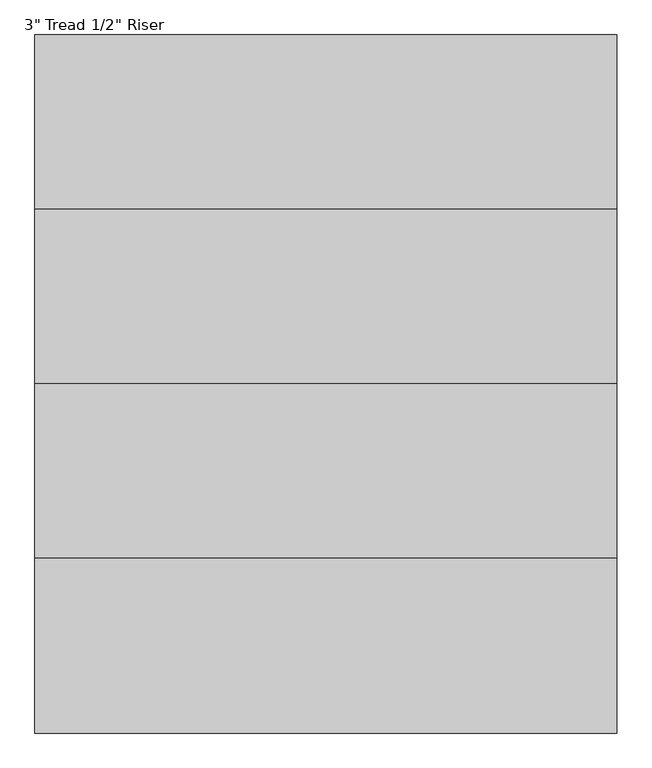
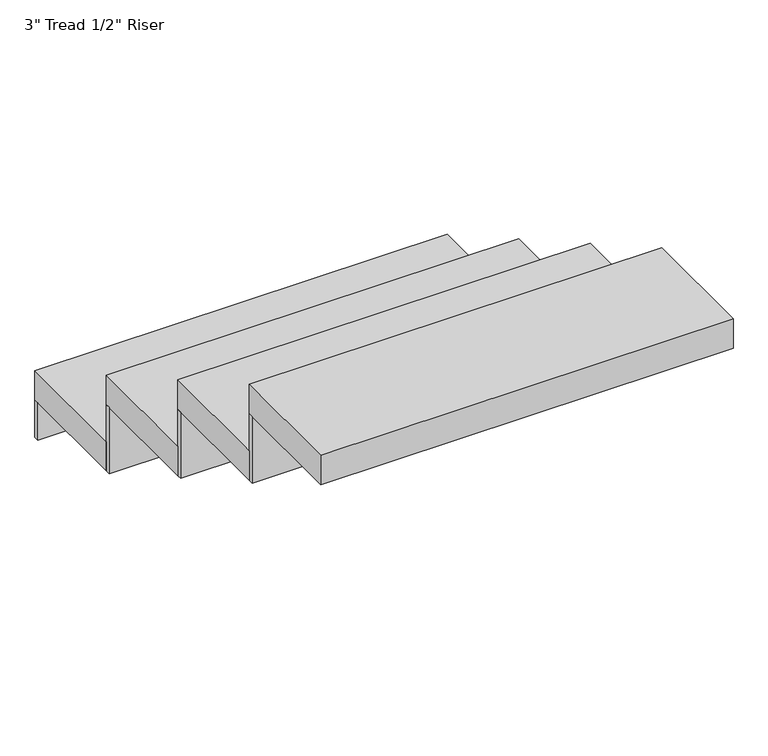
"""IFC4 building model written with IfcOpenShell, lengths in millimetres: stair flight geometry."""

from ifc_helpers import new_model, si_unit, frame, origin, place, context, project, spatial, polyline, outline, extrude, source, transform, mapped, element, save


def stair_flight_9185697d(model_context):
    return source(origin(), model_context, "Body", "SweptSolid", [
        extrude(outline(polyline([(-257976.0728459, 174490.8420048), (-258992.0728459, 174490.8420048), (-258992.0728459, 174795.6420048), (-257976.0728459, 174795.6420048), (-257976.0728459, 174490.8420048)])), frame((0.0, 0.0, -3535.4380952), z_axis=(0.0, 0.0, 1.0), x_axis=(1.0, 0.0, 0.0)), (0.0, 0.0, 1.0), 76.2),
        extrude(outline(polyline([(-258992.0728459, 174782.9420048), (-258992.0728459, 174795.6420048), (-257976.0728459, 174795.6420048), (-257976.0728459, 174782.9420048), (-258992.0728459, 174782.9420048)])), frame((0.0, 0.0, -3632.2), z_axis=(0.0, 0.0, 1.0), x_axis=(1.0, 0.0, 0.0)), (0.0, 0.0, 1.0), 96.7619048),
        extrude(outline(polyline([(-258992.0728459, 174478.1420048), (-258992.0728459, 174490.8420048), (-257976.0728459, 174490.8420048), (-257976.0728459, 174478.1420048), (-258992.0728459, 174478.1420048)])), frame((0.0, 0.0, -3535.4380952), z_axis=(0.0, 0.0, 1.0), x_axis=(1.0, 0.0, 0.0)), (0.0, 0.0, 1.0), 172.9619048),
        extrude(outline(polyline([(-257976.0728459, 174186.0420048), (-258992.0728459, 174186.0420048), (-258992.0728459, 174490.8420048), (-257976.0728459, 174490.8420048), (-257976.0728459, 174186.0420048)])), frame((0.0, 0.0, -3362.4761905), z_axis=(0.0, 0.0, 1.0), x_axis=(1.0, 0.0, 0.0)), (0.0, 0.0, 1.0), 76.2),
        extrude(outline(polyline([(-258992.0728459, 174173.3420048), (-258992.0728459, 174186.0420048), (-257976.0728459, 174186.0420048), (-257976.0728459, 174173.3420048), (-258992.0728459, 174173.3420048)])), frame((0.0, 0.0, -3362.4761905), z_axis=(0.0, 0.0, 1.0), x_axis=(1.0, 0.0, 0.0)), (0.0, 0.0, 1.0), 172.9619048),
        extrude(outline(polyline([(-257976.0728459, 173881.2420048), (-258992.0728459, 173881.2420048), (-258992.0728459, 174186.0420048), (-257976.0728459, 174186.0420048), (-257976.0728459, 173881.2420048)])), frame((0.0, 0.0, -3189.5142857), z_axis=(0.0, 0.0, 1.0), x_axis=(1.0, 0.0, 0.0)), (0.0, 0.0, 1.0), 76.2),
        extrude(outline(polyline([(-258992.0728459, 173868.5420048), (-258992.0728459, 173881.2420048), (-257976.0728459, 173881.2420048), (-257976.0728459, 173868.5420048), (-258992.0728459, 173868.5420048)])), frame((0.0, 0.0, -3189.5142857), z_axis=(0.0, 0.0, 1.0), x_axis=(1.0, 0.0, 0.0)), (0.0, 0.0, 1.0), 172.9619048),
        extrude(outline(polyline([(-257976.0728459, 173576.4420048), (-258992.0728459, 173576.4420048), (-258992.0728459, 173881.2420048), (-257976.0728459, 173881.2420048), (-257976.0728459, 173576.4420048)])), frame((0.0, 0.0, -3016.552381), z_axis=(0.0, 0.0, 1.0), x_axis=(1.0, 0.0, 0.0)), (0.0, 0.0, 1.0), 76.2),
    ])


if __name__ == "__main__":
    model = new_model("IFC4")
    model_context = context("Model", 3, world=origin())
    ifc_project = project(units=[si_unit("LENGTHUNIT", "METRE", prefix="MILLI")], contexts=[model_context])
    site = spatial("IfcSite", under=ifc_project)
    building = spatial("IfcBuilding", under=site)
    placement = place(None, origin())
    stair_flight_shape = stair_flight_9185697d(model_context)
    element("IfcStairFlight", 1, ObjectType="3\" Tread 1/2\" Riser", at=placement, inside=building, context=model_context, shape_type="MappedRepresentation", body=[
        mapped(stair_flight_shape, transform((0.0, 0.0, 0.0), x_axis=(1.0, 0.0, 0.0), y_axis=(0.0, 1.0, 0.0), z_axis=(0.0, 0.0, 1.0))),
    ])
    save(model, "model.ifc")
